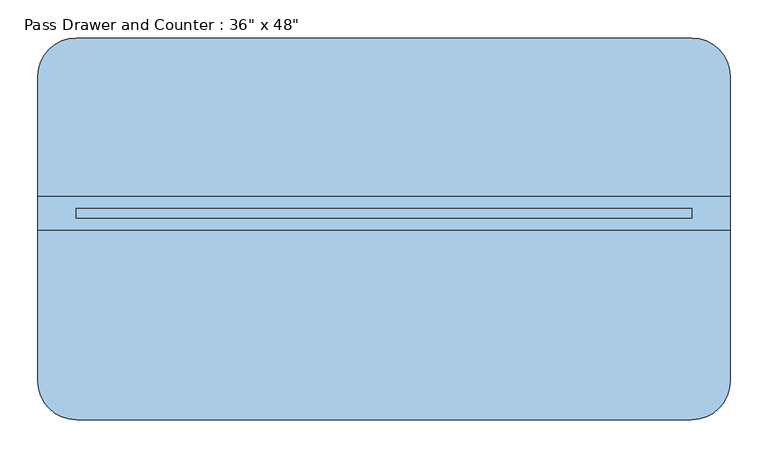
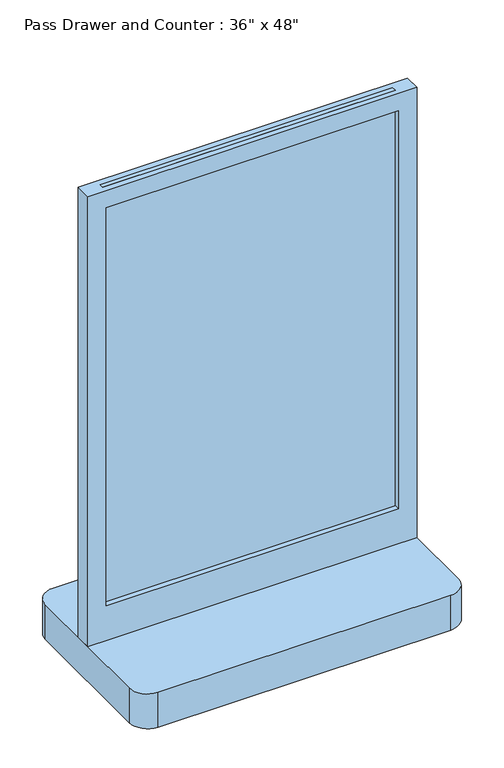
"""IFC4 building model written with IfcOpenShell, lengths in millimetres: window geometry."""

from ifc_helpers import new_model, si_unit, point, frame, frame_2d, origin, place, context, project, spatial, polyline, circle_curve, trimmed, segment, composite_curve, outline, extrude, source, transform, mapped, element, save


def window_85c4fda0(model_context):
    return source(origin(), model_context, "Body", "SweptSolid", [
        extrude(outline(polyline([(368.3, 14.2875), (-444.5, 14.2875), (-444.5, 26.9875), (368.3, 26.9875), (368.3, 14.2875)])), frame((0.0, 0.0, 1016.0), z_axis=(0.0, 0.0, 1.0), x_axis=(1.0, 0.0, 0.0)), (0.0, 0.0, 1.0), 1219.2),
        extrude(outline(polyline([(2235.2, -495.3), (914.4, -495.3), (914.4, 419.1), (2235.2, 419.1), (2235.2, -495.3)]), holes=[polyline([(2184.4, -444.5), (2184.4, 368.3), (1016.0, 368.3), (1016.0, -444.5), (2184.4, -444.5)])]), frame((0.0, -1.5875, 0.0), z_axis=(0.0, 1.0, 0.0), x_axis=(0.0, 0.0, 1.0)), (0.0, 0.0, 1.0), 44.45),
        extrude(outline(composite_curve([segment(trimmed(circle_curve(frame_2d((368.3, 201.6125)), 50.8), [point((368.3, 252.4125))], [point((419.1, 201.6125))], False, "CARTESIAN"), True, "CONTINUOUS"), segment(polyline([(419.1, 201.6125), (419.1, -201.6125)]), True, "CONTINUOUS"), segment(trimmed(circle_curve(frame_2d((368.3, -201.6125)), 50.8), [point((419.1, -201.6125))], [point((368.3, -252.4125))], False, "CARTESIAN"), True, "CONTINUOUS"), segment(polyline([(368.3, -252.4125), (-444.5, -252.4125)]), True, "CONTINUOUS"), segment(trimmed(circle_curve(frame_2d((-444.5, -201.6125)), 50.8), [point((-444.5, -252.4125))], [point((-495.3, -201.6125))], False, "CARTESIAN"), True, "CONTINUOUS"), segment(polyline([(-495.3, -201.6125), (-495.3, 201.6125)]), True, "CONTINUOUS"), segment(trimmed(circle_curve(frame_2d((-444.5, 201.6125)), 50.8), [point((-495.3, 201.6125))], [point((-444.5, 252.4125))], False, "CARTESIAN"), True, "CONTINUOUS"), segment(polyline([(-444.5, 252.4125), (368.3, 252.4125)]), True, "CONTINUOUS")], self_intersect=False)), frame((0.0, 0.0, 812.8), z_axis=(0.0, 0.0, 1.0), x_axis=(1.0, 0.0, 0.0)), (0.0, 0.0, 1.0), 101.6),
    ])


if __name__ == "__main__":
    model = new_model("IFC4")
    model_context = context("Model", 3, world=origin())
    ifc_project = project(units=[si_unit("LENGTHUNIT", "METRE", prefix="MILLI")], contexts=[model_context])
    site = spatial("IfcSite", under=ifc_project)
    building = spatial("IfcBuilding", under=site)
    placement = place(None, origin())
    window_shape = window_85c4fda0(model_context)
    element("IfcWindow", 1, ObjectType="Pass Drawer and Counter : 36\" x 48\"", at=placement, inside=building, context=model_context, shape_type="MappedRepresentation", body=[
        mapped(window_shape, transform((0.0, 0.0, 0.0), x_axis=(1.0, 0.0, 0.0), y_axis=(0.0, 1.0, 0.0), z_axis=(0.0, 0.0, 1.0))),
    ])
    save(model, "model.ifc")
